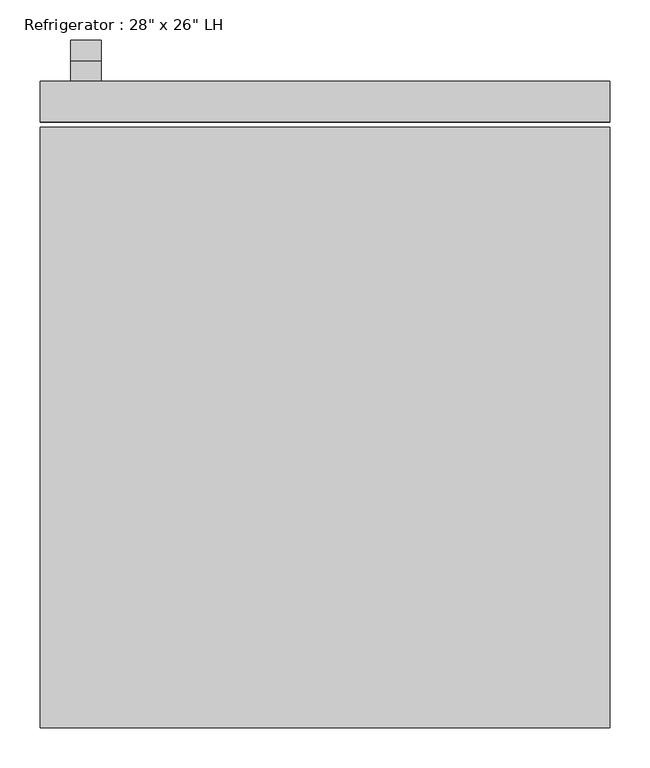
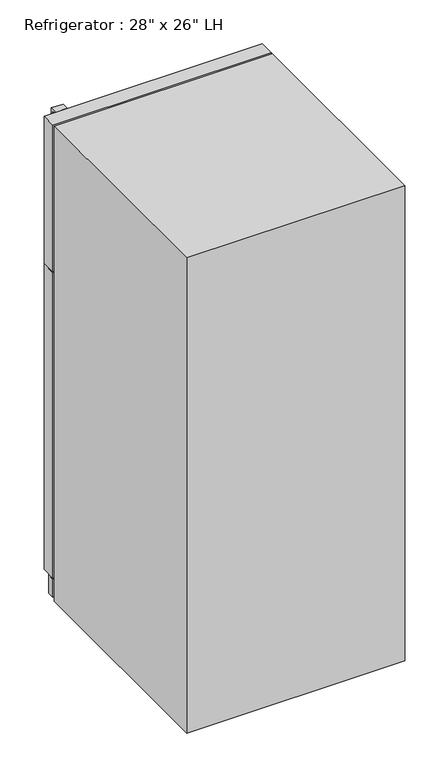
"""IFC4 building model written with IfcOpenShell, lengths in millimetres: proxy geometry."""

from ifc_helpers import new_model, si_unit, frame, origin, origin_with_axes, place, context, project, spatial, polyline, outline, extrude, source, transform, mapped, element, save


def proxy_aee5b900(model_context):
    return source(origin(), model_context, "Body", "SweptSolid", [
        extrude(outline(polyline([(417.9010285, 1122.3625), (417.9010285, 1128.7125), (468.7010285, 1128.7125), (468.7010285, 925.5125), (440.7949512, 526.4370017), (417.9010285, 526.4370017), (417.9010285, 532.7715334), (434.8723987, 532.7715334), (462.3510285, 925.7342469), (462.3510285, 1122.3625), (417.9010285, 1122.3625)])), frame((-317.5, 0.0, 0.0), z_axis=(1.0, 0.0, 0.0), x_axis=(0.0, 1.0, 0.0)), (0.0, 0.0, 1.0), 38.4332978),
        extrude(outline(polyline([(442.739413, 1638.3), (469.2793675, 1131.8875), (418.6780855, 1131.8875), (418.6780855, 1138.2375), (463.4007207, 1138.2375), (437.5263449, 1631.95), (418.6780855, 1631.95), (418.6780855, 1638.3), (442.739413, 1638.3)])), frame((-317.5, 0.0, 0.0), z_axis=(1.0, 0.0, 0.0), x_axis=(0.0, 1.0, 0.0)), (0.0, 0.0, 1.0), 38.4332978),
        extrude(outline(polyline([(355.6, 367.1010285), (-355.6, 367.1010285), (-355.6, 392.5010285), (355.6, 392.5010285), (355.6, 367.1010285)])), frame((0.0, 0.0, 9.3816357), z_axis=(0.0, 0.0, 1.0), x_axis=(1.0, 0.0, 0.0)), (0.0, 0.0, 1.0), 63.5),
        extrude(outline(polyline([(355.6, 367.1010285), (-355.6, 367.1010285), (-355.6, 417.9010285), (355.6, 417.9010285), (355.6, 367.1010285)])), frame((0.0, 0.0, 76.2), z_axis=(0.0, 0.0, 1.0), x_axis=(1.0, 0.0, 0.0)), (0.0, 0.0, 1.0), 1052.5125),
        extrude(outline(polyline([(355.6, 367.1010285), (-355.6, 367.1010285), (-355.6, 417.9010285), (355.6, 417.9010285), (355.6, 367.1010285)])), frame((0.0, 0.0, 1131.8875), z_axis=(0.0, 0.0, 1.0), x_axis=(1.0, 0.0, 0.0)), (0.0, 0.0, 1.0), 506.4125),
        extrude(outline(polyline([(355.6, -388.5489715), (-355.6, -388.5489715), (-355.6, 360.7510285), (355.6, 360.7510285), (355.6, -388.5489715)])), origin_with_axes(), (0.0, 0.0, 1.0), 1638.3),
    ])


if __name__ == "__main__":
    model = new_model("IFC4")
    model_context = context("Model", 3, world=origin())
    ifc_project = project(units=[si_unit("LENGTHUNIT", "METRE", prefix="MILLI")], contexts=[model_context])
    site = spatial("IfcSite", under=ifc_project)
    building = spatial("IfcBuilding", under=site)
    placement = place(None, origin())
    proxy_shape = proxy_aee5b900(model_context)
    element("IfcBuildingElementProxy", 1, Name="Refrigerator : 28\" x 26\" LH", ObjectType="Refrigerator : 28\" x 26\" LH", at=placement, inside=building, context=model_context, shape_type="MappedRepresentation", body=[
        mapped(proxy_shape, transform((0.0, 0.0, 0.0), x_axis=(1.0, 0.0, 0.0), y_axis=(0.0, 1.0, 0.0), z_axis=(0.0, 0.0, 1.0))),
    ])
    save(model, "model.ifc")
